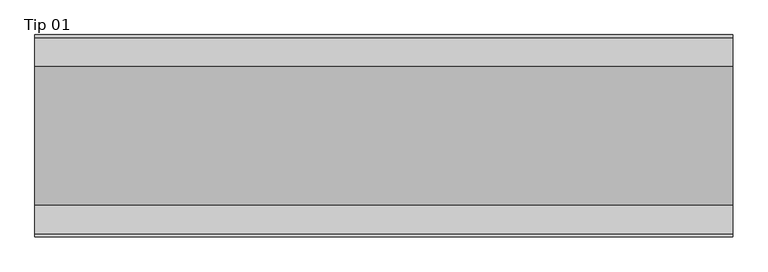
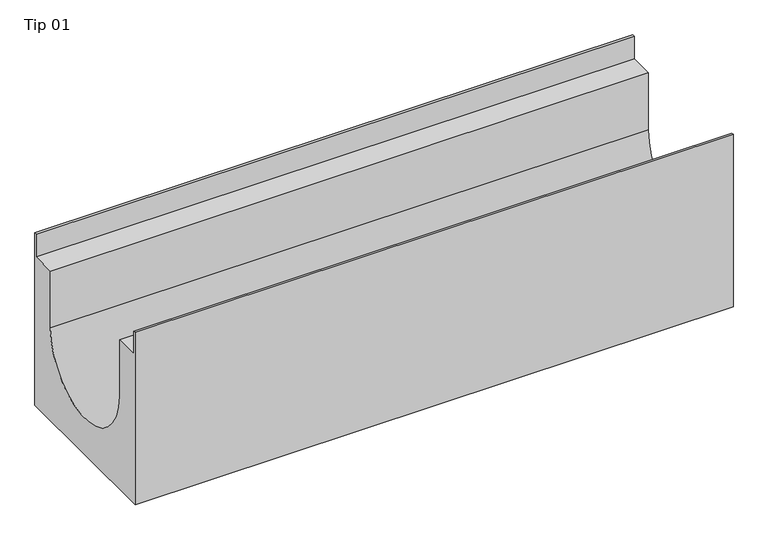
"""IFC4 building model written with IfcOpenShell, lengths in millimetres: proxy geometry, Tip 01."""

import ifcopenshell
import ifcopenshell.guid

model = None  # the IFC model being written
_history = None  # IfcOwnerHistory: only IFC2X3 demands one
_inside = {}  # id of a spatial element -> (the spatial element, [elements in it])
_under = {}  # id of a project, library or spatial element -> (it, [spatial elements below it])
_declared = {}  # id of a project -> (the project, [libraries it declares])
_typed = {}  # id of a type object -> (the type object, [elements of that type])
_made_of = {}  # id of a material, layer set ... -> (it, [elements and type objects made of it])


def new_model(schema):
    """Start an empty IFC model of exactly this schema.

    Asked for "IFC4X3", IfcOpenShell would pick the latest addendum, in which some entities
    have other attributes; the version numbers below select the first issue.
    IFC2X3 requires an IfcOwnerHistory on every rooted entity: one is made here for all.
    """
    global model, _history
    if schema == "IFC4X3":
        model = ifcopenshell.file(schema_version=(4, 3, 0, 0))
    else:
        model = ifcopenshell.file(schema=schema)
    _inside.clear()
    _under.clear()
    _declared.clear()
    _typed.clear()
    _made_of.clear()
    _history = None
    if model.schema == "IFC2X3":
        org = make("IfcOrganization", Name="unknown")
        user = make(
            "IfcPersonAndOrganization",
            ThePerson=make("IfcPerson", FamilyName="unknown"),
            TheOrganization=org,
        )
        app = make(
            "IfcApplication",
            ApplicationDeveloper=org,
            Version="unknown",
            ApplicationFullName="unknown",
            ApplicationIdentifier="unknown",
        )
        _history = make(
            "IfcOwnerHistory",
            OwningUser=user,
            OwningApplication=app,
            ChangeAction="ADDED",
            CreationDate=0,
        )
    return model


def make(cls, **values):
    """One entity of the class cls with the attributes given. An attribute that is None is left unset."""
    return model.create_entity(
        cls, **{name: value for name, value in values.items() if value is not None}
    )


def rooted(cls, **values):
    """An entity with a GlobalId (a new one), such as an element, a storey or a relation."""
    return make(cls, GlobalId=ifcopenshell.guid.new(), OwnerHistory=_history, **values)


def si_unit(unit_type, name, prefix=None):
    """IfcSIUnit, for example si_unit("LENGTHUNIT", "METRE", prefix="MILLI")."""
    return make("IfcSIUnit", UnitType=unit_type, Prefix=prefix, Name=name)


def assignment(units):
    """IfcUnitAssignment: the units of a project."""
    return None if units is None else make("IfcUnitAssignment", Units=units)


def point(xyz):
    """IfcCartesianPoint."""
    return None if xyz is None else make("IfcCartesianPoint", Coordinates=xyz)


def direction(xyz):
    """IfcDirection."""
    return None if xyz is None else make("IfcDirection", DirectionRatios=xyz)


def frame(location, z_axis=None, x_axis=None):
    """IfcAxis2Placement3D, a coordinate frame: its origin and axes. An axis left out is left unset."""
    return make(
        "IfcAxis2Placement3D",
        Location=point(location),
        Axis=direction(z_axis),
        RefDirection=direction(x_axis),
    )


def frame_2d(location, x_axis=None):
    """IfcAxis2Placement2D, a coordinate frame in the plane: its origin and x axis."""
    return make(
        "IfcAxis2Placement2D", Location=point(location), RefDirection=direction(x_axis)
    )


def origin():
    """The frame at (0, 0, 0) with its axes left unset."""
    return frame((0.0, 0.0, 0.0))


def place(relative_to, where):
    """IfcLocalPlacement: puts the frame where relative to a parent placement (None: the world)."""
    return make(
        "IfcLocalPlacement", PlacementRelTo=relative_to, RelativePlacement=where
    )


def context(
    kind, dimensions, precision=None, world=None, true_north=None, identifier=None
):
    """IfcGeometricRepresentationContext, for example the 3D "Model" context."""
    return make(
        "IfcGeometricRepresentationContext",
        ContextIdentifier=identifier,
        ContextType=kind,
        CoordinateSpaceDimension=dimensions,
        Precision=precision,
        WorldCoordinateSystem=world,
        TrueNorth=true_north,
    )


def project(units=None, contexts=None):
    """IfcProject with its units and contexts."""
    return rooted(
        "IfcProject",
        Name="project",
        RepresentationContexts=contexts,
        UnitsInContext=assignment(units),
    )


def spatial(cls, under=None, at=None, **own):
    """A site, building, storey or space (cls), placed at a placement, below another one or the project."""
    s = rooted(cls, ObjectPlacement=at, **own)
    if under is not None:
        _under.setdefault(under.id(), (under, []))[1].append(s)
    return s


def polyline(points):
    """IfcPolyline through the points."""
    return make("IfcPolyline", Points=[point(p) for p in points])


def circle_curve(where, radius):
    """IfcCircle in the frame where."""
    return make("IfcCircle", Position=where, Radius=radius)


def trimmed(basis, trim1, trim2, sense, master):
    """IfcTrimmedCurve: the piece of a basis curve between two trims."""
    return make(
        "IfcTrimmedCurve",
        BasisCurve=basis,
        Trim1=trim1,
        Trim2=trim2,
        SenseAgreement=sense,
        MasterRepresentation=master,
    )


def segment(curve, same_sense, transition):
    """IfcCompositeCurveSegment."""
    return make(
        "IfcCompositeCurveSegment",
        Transition=transition,
        SameSense=same_sense,
        ParentCurve=curve,
    )


def composite_curve(segments, self_intersect=None):
    """IfcCompositeCurve: segments joined end to end."""
    return make("IfcCompositeCurve", Segments=segments, SelfIntersect=self_intersect)


def outline(outer, holes=None, kind="AREA"):
    """IfcArbitraryClosedProfileDef: a profile drawn as a closed curve; with holes, ...WithVoids."""
    if holes is None:
        return make("IfcArbitraryClosedProfileDef", ProfileType=kind, OuterCurve=outer)
    return make(
        "IfcArbitraryProfileDefWithVoids",
        ProfileType=kind,
        OuterCurve=outer,
        InnerCurves=holes,
    )


def extrude(swept, where, along, depth):
    """IfcExtrudedAreaSolid: the profile swept, set in the frame where, extruded along a direction by depth."""
    return make(
        "IfcExtrudedAreaSolid",
        SweptArea=swept,
        Position=where,
        ExtrudedDirection=direction(along),
        Depth=depth,
    )


def shape(context_of_items, identifier, shape_type, items):
    """IfcShapeRepresentation: the items that make up one representation, for example the "Body"."""
    return make(
        "IfcShapeRepresentation",
        ContextOfItems=context_of_items,
        RepresentationIdentifier=identifier,
        RepresentationType=shape_type,
        Items=items,
    )


def source(mapping_origin, context_of_items, identifier, shape_type, items):
    """IfcRepresentationMap: a shape defined once, which mapped items show again and again."""
    return make(
        "IfcRepresentationMap",
        MappingOrigin=mapping_origin,
        MappedRepresentation=shape(context_of_items, identifier, shape_type, items),
    )


def transform(
    local_origin,
    x_axis=None,
    y_axis=None,
    z_axis=None,
    scale=None,
    scale2=None,
    scale3=None,
    uniform=True,
):
    """IfcCartesianTransformationOperator3D, or its non-uniform kind. x_axis, y_axis, z_axis: its Axis1, 2, 3."""
    if uniform:
        return make(
            "IfcCartesianTransformationOperator3D",
            Axis1=direction(x_axis),
            Axis2=direction(y_axis),
            LocalOrigin=point(local_origin),
            Scale=scale,
            Axis3=direction(z_axis),
        )
    return make(
        "IfcCartesianTransformationOperator3DnonUniform",
        Axis1=direction(x_axis),
        Axis2=direction(y_axis),
        LocalOrigin=point(local_origin),
        Scale=scale,
        Axis3=direction(z_axis),
        Scale2=scale2,
        Scale3=scale3,
    )


def mapped(mapping_source, mapping_target):
    """IfcMappedItem: shows the shape of a source again, moved by a transform."""
    return make(
        "IfcMappedItem", MappingSource=mapping_source, MappingTarget=mapping_target
    )


def made_of(thing, what):
    """Note that an element or type object is made of a material, layer set ...; save() writes the relation."""
    if what is not None:
        _made_of.setdefault(what.id(), (what, []))[1].append(thing)
    return thing


def element(
    cls,
    number,
    at=None,
    inside=None,
    cuts=None,
    type_object=None,
    material=None,
    context=None,
    identifier="Body",
    shape_type=None,
    held_by="IfcProductDefinitionShape",
    body=None,
    shapes=None,
    **own,
):
    """One element of the class cls, such as IfcWall. Its Tag is "e" and its number.

    at: its placement. inside: the storey or other place that contains it. cuts: it is an
    opening in that element (IfcRelVoidsElement). A single representation is given by context,
    identifier, shape_type and body (its items); several are given by shapes. held_by: the class
    of the entity that holds the representations. save() writes the other relations.
    """
    e = rooted(cls, Tag="e%d" % number, ObjectPlacement=at, **own)
    if body is not None:
        shapes = [shape(context, identifier, shape_type, body)]
    if shapes is not None:
        e.Representation = make(held_by, Representations=shapes)
    if inside is not None:
        _inside.setdefault(inside.id(), (inside, []))[1].append(e)
    if cuts is not None:
        rooted(
            "IfcRelVoidsElement", RelatingBuildingElement=cuts, RelatedOpeningElement=e
        )
    if type_object is not None:
        _typed.setdefault(type_object.id(), (type_object, []))[1].append(e)
    return made_of(e, material)


def aggregate(whole, parts):
    """IfcRelAggregates: a whole, such as a stair, and the parts it consists of."""
    return rooted("IfcRelAggregates", RelatingObject=whole, RelatedObjects=parts)


def save(model, path):
    """Write the relations noted so far, then the file.

    IfcRelAggregates (storeys below a building ...), IfcRelContainedInSpatialStructure (elements
    in a storey), IfcRelDefinesByType, IfcRelAssociatesMaterial and IfcRelDeclares: one each for
    every whole, place, type object, material and project.
    """
    for whole, parts in _under.values():
        aggregate(whole, parts)
    for where, things in _inside.values():
        rooted(
            "IfcRelContainedInSpatialStructure",
            RelatedElements=things,
            RelatingStructure=where,
        )
    for kind, things in _typed.values():
        rooted("IfcRelDefinesByType", RelatedObjects=things, RelatingType=kind)
    for what, things in _made_of.values():
        rooted("IfcRelAssociatesMaterial", RelatedObjects=things, RelatingMaterial=what)
    for by, libraries in _declared.values():
        rooted("IfcRelDeclares", RelatingContext=by, RelatedDefinitions=libraries)
    model.write(path)


def tip_01_725c5c1f(model_context):
    return source(origin(), model_context, "Body", "SweptSolid", [
        extrude(outline(composite_curve([segment(polyline([(-145.0, -305.0), (-145.0, 0.0), (-141.0, 0.0), (-141.0, -40.0), (-100.0, -40.0), (-100.0, -140.0021647)]), True, "CONTINUOUS"), segment(trimmed(circle_curve(frame_2d((0.0, -140.0021647)), 100.0), [point((-100.0, -140.0021647))], [point((100.0, -140.0021647))], True, "CARTESIAN"), True, "CONTINUOUS"), segment(polyline([(100.0, -140.0021647), (100.0, -40.0), (141.0, -40.0), (141.0, 0.0), (145.0, 0.0), (145.0, -305.0), (-145.0, -305.0)]), True, "CONTINUOUS")], self_intersect=False)), frame((0.0, 0.0, 0.0), z_axis=(1.0, 0.0, 0.0), x_axis=(0.0, 1.0, 0.0)), (0.0, 0.0, 1.0), 1000.0),
    ])


if __name__ == "__main__":
    model = new_model("IFC4")
    model_context = context("Model", 3, world=origin())
    ifc_project = project(units=[si_unit("LENGTHUNIT", "METRE", prefix="MILLI")], contexts=[model_context])
    site = spatial("IfcSite", under=ifc_project)
    building = spatial("IfcBuilding", under=site)
    placement = place(None, origin())
    tip_01_shape = tip_01_725c5c1f(model_context)
    element("IfcBuildingElementProxy", 1, Name="Tip 01", ObjectType="Tip 01", at=placement, inside=building, context=model_context, shape_type="MappedRepresentation", body=[
        mapped(tip_01_shape, transform((0.0, 0.0, 0.0), x_axis=(1.0, 0.0, 0.0), y_axis=(0.0, 1.0, 0.0), z_axis=(0.0, 0.0, 1.0))),
    ])
    save(model, "model.ifc")
